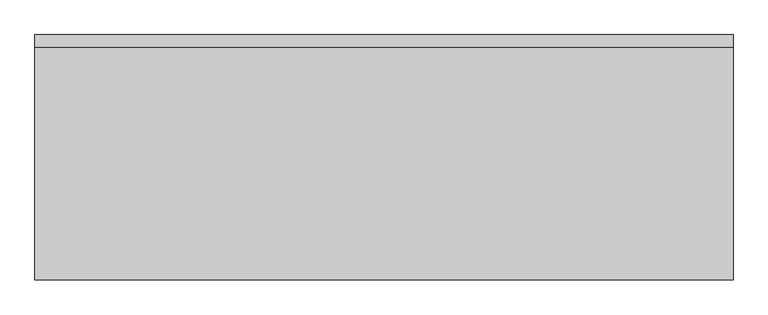
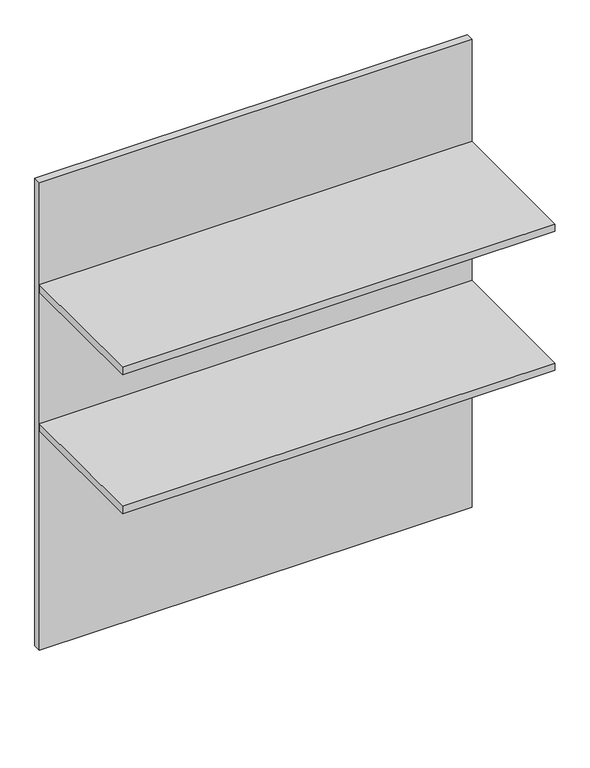
"""IFC4 building model written with IfcOpenShell, lengths in millimetres: furniture geometry."""

from ifc_helpers import new_model, si_unit, frame, origin, origin_with_axes, place, context, project, spatial, polyline, outline, extrude, source, transform, mapped, element, save


def furniture_e290b6c0(model_context):
    return source(origin(), model_context, "Body", "SweptSolid", [
        extrude(outline(polyline([(-530.9597098, -386.0843594), (-530.9597098, -30.4843594), (535.8402902, -30.4843594), (535.8402902, -386.0843594), (-530.9597098, -386.0843594)])), frame((0.0, 0.0, 933.9987774), z_axis=(0.0, 0.0, 1.0), x_axis=(1.0, 0.0, 0.0)), (0.0, 0.0, 1.0), 19.05),
        extrude(outline(polyline([(535.8402902, -30.4843594), (-530.9597098, -30.4843594), (-530.9597098, -11.4343594), (535.8402902, -11.4343594), (535.8402902, -30.4843594)])), origin_with_axes(), (0.0, 0.0, 1.0), 1219.2),
        extrude(outline(polyline([(-530.9597098, -386.0843594), (-530.9597098, -30.4843594), (535.8402902, -30.4843594), (535.8402902, -386.0843594), (-530.9597098, -386.0843594)])), frame((0.0, 0.0, 572.0487774), z_axis=(0.0, 0.0, 1.0), x_axis=(1.0, 0.0, 0.0)), (0.0, 0.0, 1.0), 19.05),
    ])


if __name__ == "__main__":
    model = new_model("IFC4")
    model_context = context("Model", 3, world=origin())
    ifc_project = project(units=[si_unit("LENGTHUNIT", "METRE", prefix="MILLI")], contexts=[model_context])
    site = spatial("IfcSite", under=ifc_project)
    building = spatial("IfcBuilding", under=site)
    placement = place(None, origin())
    furniture_shape = furniture_e290b6c0(model_context)
    element("IfcFurniture", 1, at=placement, inside=building, context=model_context, shape_type="MappedRepresentation", body=[
        mapped(furniture_shape, transform((0.0, 0.0, 0.0), x_axis=(1.0, 0.0, 0.0), y_axis=(0.0, 1.0, 0.0), z_axis=(0.0, 0.0, 1.0))),
    ])
    save(model, "model.ifc")
